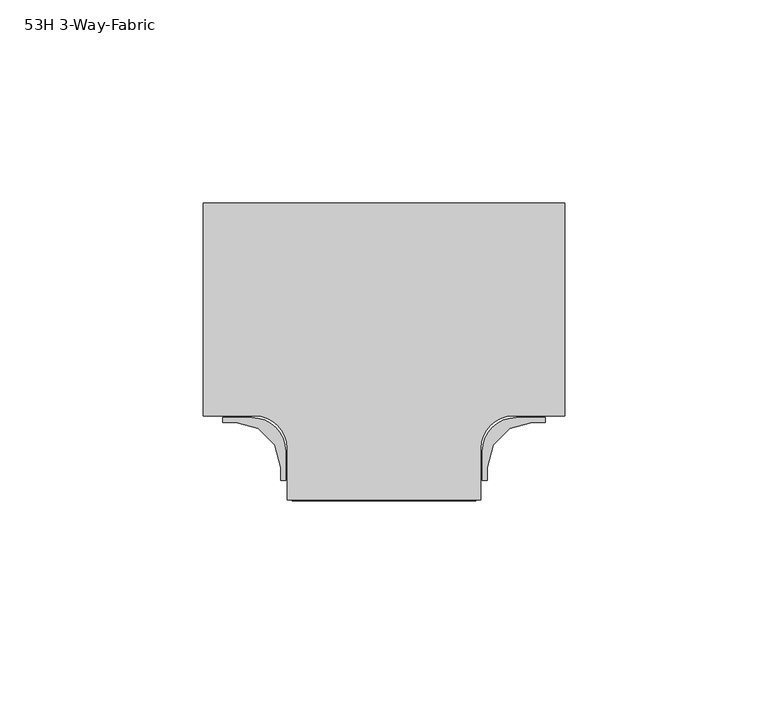
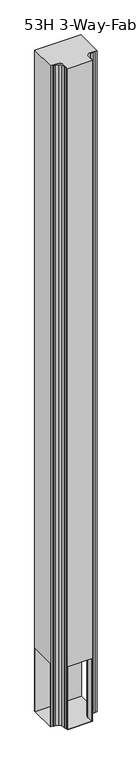
"""IFC4 building model written with IfcOpenShell, lengths in millimetres: furniture geometry, 53H 3-Way-Fabric."""

from ifc_helpers import new_model, si_unit, point, frame, frame_2d, origin, place, context, project, spatial, polyline, circle_curve, trimmed, segment, composite_curve, outline, extrude, source, transform, mapped, element, save
from ifc_brep_helpers import plane_surface, cylinder_surface, revolved_surface, advanced_brep


def furniture_53h_3_way_fabric_7bbcd952(model_context):
    return source(origin(), model_context, "Body", "SolidModel", [
        extrude(outline(composite_curve([segment(polyline([(31.7500015, -15.6479256), (30.5568331, -15.6479256), (30.5568331, -8.4848759)]), True, "CONTINUOUS"), segment(trimmed(circle_curve(frame_2d((38.8750832, -8.4848759)), 8.3182501), [point((30.5568331, -8.4848759))], [point((38.8750832, -0.1666258))], False, "CARTESIAN"), True, "CONTINUOUS"), segment(polyline([(38.8750832, -0.1666258), (46.037497, -0.1666258), (46.037497, -1.3597897), (42.8250386, -1.3604256), (37.2878357, -2.8441105), (33.2343222, -6.897624), (31.7506328, -12.4348223), (31.7500015, -15.6479256)]), True, "CONTINUOUS")], self_intersect=False)), frame((0.0, 0.0, 9.779), z_axis=(0.0, 0.0, 1.0), x_axis=(1.0, 0.0, 0.0)), (0.0, 0.0, 1.0), 1339.5959758),
        extrude(outline(composite_curve([segment(polyline([(-19.0500045, -15.6479256), (-19.0506359, -12.4348223), (-20.5343253, -6.897624), (-24.5878388, -2.8441105), (-30.1250417, -1.3604256), (-33.3375, -1.3597897), (-33.3375, -0.1666258), (-26.1750862, -0.1666258)]), True, "CONTINUOUS"), segment(trimmed(circle_curve(frame_2d((-26.1750862, -8.4848759)), 8.3182501), [point((-26.1750862, -0.1666258))], [point((-17.8568361, -8.4848759))], False, "CARTESIAN"), True, "CONTINUOUS"), segment(polyline([(-17.8568361, -8.4848759), (-17.8568361, -15.6479256), (-19.0500045, -15.6479256)]), True, "CONTINUOUS")], self_intersect=False)), frame((0.0, 0.0, 9.779), z_axis=(0.0, 0.0, 1.0), x_axis=(1.0, 0.0, 0.0)), (0.0, 0.0, 1.0), 1339.5959758),
        advanced_brep(
        [(-38.1, 52.614576, 1349.3749758), (-38.1, 0.2270774, 1349.3749758), (-25.3999996, 0.2270774, 1349.3749758), (-17.4618657, -7.7110565, 1349.3749758), (-17.4618657, -20.410424, 1349.3749758), (30.1618626, -20.410424, 1349.3749758), (30.1618626, -7.7110565, 1349.3749758), (38.0999966, 0.2270774, 1349.3749758), (50.799997, 0.2270774, 1349.3749758), (50.799997, 52.614576, 1349.3749758), (-38.1, 52.614576, 9.525), (50.799997, 52.614576, 9.525), (50.799997, 0.2270774, 9.525), (38.0999966, 0.2270774, 9.525), (30.1618626, -7.7110565, 9.525), (30.1618626, -20.410424, 9.525), (-17.4618657, -20.410424, 9.525), (-17.4618657, -7.7110565, 9.525), (-25.3999996, 0.2270774, 9.525), (-38.1, 0.2270774, 9.525), (-38.1, 51.344576, 136.525), (-38.1, 1.4970774, 136.525), (-38.1, 1.4970774, 9.779), (-38.1, 51.344576, 9.779), (-16.1918657, -20.410424, 136.525), (28.8918626, -20.410424, 136.525), (28.8918626, -20.410424, 9.779), (-16.1918657, -20.410424, 9.779), (50.799997, 1.4970774, 136.525), (50.799997, 51.344576, 136.525), (50.799997, 51.344576, 9.779), (50.799997, 1.4970774, 9.779), (38.0999966, 1.4970774, 136.525), (28.8918626, -7.7110565, 136.525), (-16.1918657, -7.7110565, 136.525), (-25.3999996, 1.4970774, 136.525), (-25.3999996, 1.4970774, 9.779), (-16.1918657, -7.7110565, 9.779), (28.8918626, -7.7110565, 9.779), (38.0999966, 1.4970774, 9.779)],
        [
            (0, 1),
            (1, 2),
            (2, 3, circle_curve(frame((-25.3999996, -7.7110565, 1349.3749758), z_axis=(0.0, 0.0, -1.0), x_axis=(1.0, 0.0, 0.0)), 7.938134)),
            (3, 4),
            (4, 5),
            (5, 6),
            (6, 7, circle_curve(frame((38.0999966, -7.7110565, 1349.3749758), z_axis=(0.0, 0.0, -1.0), x_axis=(1.0, 0.0, 0.0)), 7.938134)),
            (7, 8),
            (8, 9),
            (9, 0),
            (10, 11),
            (11, 12),
            (12, 13),
            (13, 14, circle_curve(frame((38.0999966, -7.7110565, 9.525), z_axis=(0.0, 0.0, 1.0), x_axis=(1.0, 0.0, 0.0)), 7.938134)),
            (14, 15),
            (15, 16),
            (16, 17),
            (17, 18, circle_curve(frame((-25.3999996, -7.7110565, 9.525), z_axis=(0.0, 0.0, 1.0), x_axis=(1.0, 0.0, 0.0)), 7.938134)),
            (18, 19),
            (19, 10),
            (0, 10),
            (19, 1),
            (20, 21),
            (21, 22),
            (22, 23),
            (23, 20),
            (4, 16),
            (15, 5),
            (24, 25),
            (25, 26),
            (26, 27),
            (27, 24),
            (8, 12),
            (11, 9),
            (28, 29),
            (29, 30),
            (30, 31),
            (31, 28),
            (18, 2),
            (17, 3),
            (14, 6),
            (13, 7),
            (32, 33, circle_curve(frame((38.0999966, -7.7110565, 136.525), z_axis=(0.0, 0.0, 1.0), x_axis=(1.0, 0.0, 0.0)), 9.208134)),
            (33, 25),
            (24, 34),
            (34, 35, circle_curve(frame((-25.3999996, -7.7110565, 136.525), z_axis=(0.0, 0.0, 1.0), x_axis=(1.0, 0.0, 0.0)), 9.208134)),
            (35, 21),
            (20, 29),
            (28, 32),
            (36, 37, circle_curve(frame((-25.3999996, -7.7110565, 9.779), z_axis=(0.0, 0.0, -1.0), x_axis=(1.0, 0.0, 0.0)), 9.208134)),
            (37, 27),
            (26, 38),
            (38, 39, circle_curve(frame((38.0999966, -7.7110565, 9.779), z_axis=(0.0, 0.0, -1.0), x_axis=(1.0, 0.0, 0.0)), 9.208134)),
            (39, 31),
            (30, 23),
            (22, 36),
            (35, 36),
            (34, 37),
            (33, 38),
            (32, 39),
        ],
        [
            plane_surface(frame((-38.1, 52.614576, 1349.3749758), z_axis=(0.0, 0.0, 1.0), x_axis=(0.0, -1.0, 0.0))),
            plane_surface(frame((-38.1, 52.614576, 9.525), z_axis=(0.0, 0.0, -1.0), x_axis=(0.0, 1.0, 0.0))),
            plane_surface(frame((-38.1, 52.614576, 1349.3749758), z_axis=(-1.0, 0.0, 0.0), x_axis=(0.0, 0.0, -1.0))),
            plane_surface(frame((-17.4618657, -20.410424, 1349.3749758), z_axis=(0.0, -1.0, 0.0), x_axis=(0.0, 0.0, -1.0))),
            plane_surface(frame((50.799997, 0.2270774, 1349.3749758), z_axis=(1.0, 0.0, 0.0), x_axis=(0.0, 0.0, -1.0))),
            plane_surface(frame((50.799997, 52.614576, 1349.3749758), z_axis=(0.0, 1.0, 0.0), x_axis=(0.0, 0.0, -1.0))),
            plane_surface(frame((-38.1, 0.2270774, 1349.3749758), z_axis=(0.0, -1.0, 0.0), x_axis=(0.0, 0.0, -1.0))),
            revolved_surface(polyline([(-17.461865600000003, -7.7110565, 9.525), (-17.461865600000003, -7.7110565, 1349.3749758)]), (-25.3999996, -7.7110565, 9.525), (0.0, 0.0, -1.0)),
            plane_surface(frame((-17.4618657, -7.7110565, 1349.3749758), z_axis=(-1.0, 0.0, 0.0), x_axis=(0.0, 0.0, -1.0))),
            plane_surface(frame((30.1618626, -20.410424, 1349.3749758), z_axis=(1.0, 0.0, 0.0), x_axis=(0.0, 0.0, -1.0))),
            revolved_surface(polyline([(46.038130599999995, -7.7110565, 9.525), (46.038130599999995, -7.7110565, 1349.3749758)]), (38.0999966, -7.7110565, 9.525), (0.0, 0.0, -1.0)),
            plane_surface(frame((38.0999966, 0.2270774, 1349.3749758), z_axis=(0.0, -1.0, 0.0), x_axis=(0.0, 0.0, -1.0))),
            plane_surface(frame((-43.18, 51.344576, 136.525), z_axis=(0.0, 0.0, -1.0), x_axis=(0.0, -1.0, 0.0))),
            plane_surface(frame((-43.18, 51.344576, 9.779), z_axis=(0.0, 0.0, 1.0), x_axis=(0.0, 1.0, 0.0))),
            plane_surface(frame((-43.18, 1.4970774, 136.525), z_axis=(0.0, 1.0, 0.0), x_axis=(0.0, 0.0, -1.0))),
            cylinder_surface(frame((-25.3999996, -7.7110565, 9.779), z_axis=(0.0, 0.0, -1.0), x_axis=(1.0, 0.0, 0.0)), 9.208134),
            plane_surface(frame((-16.1918657, -7.7110565, 136.525), z_axis=(1.0, 0.0, 0.0), x_axis=(0.0, 0.0, -1.0))),
            plane_surface(frame((28.8918626, -23.7122902, 136.525), z_axis=(-1.0, 0.0, 0.0), x_axis=(0.0, 0.0, -1.0))),
            cylinder_surface(frame((38.0999966, -7.7110565, 9.779), z_axis=(0.0, 0.0, -1.0), x_axis=(1.0, 0.0, 0.0)), 9.208134),
            plane_surface(frame((38.0999966, 1.4970774, 136.525), z_axis=(0.0, 1.0, 0.0), x_axis=(0.0, 0.0, -1.0))),
            plane_surface(frame((54.292497, 51.344576, 136.525), z_axis=(0.0, -1.0, 0.0), x_axis=(0.0, 0.0, -1.0))),
        ],
        [
            (0, [[1, 2, 3, 4, 5, 6, 7, 8, 9, 10]]),
            (1, [[11, 12, 13, 14, 15, 16, 17, 18, 19, 20]]),
            (2, [[-1, 21, -20, 22], [23, 24, 25, 26]]),
            (3, [[-5, 27, -16, 28], [29, 30, 31, 32]]),
            (4, [[-9, 33, -12, 34], [35, 36, 37, 38]]),
            (5, [[-10, -34, -11, -21]]),
            (6, [[-2, -22, -19, 39]]),
            (7, [[-3, -39, -18, 40]]),
            (8, [[-4, -40, -17, -27]]),
            (9, [[-6, -28, -15, 41]]),
            (10, [[-7, -41, -14, 42]]),
            (11, [[-8, -42, -13, -33]]),
            (12, [[43, 44, -29, 45, 46, 47, -23, 48, -35, 49]]),
            (13, [[50, 51, -31, 52, 53, 54, -37, 55, -25, 56]]),
            (14, [[57, -56, -24, -47]]),
            (15, [[-46, 58, -50, -57]]),
            (16, [[-58, -45, -32, -51]]),
            (17, [[59, -52, -30, -44]]),
            (18, [[-43, 60, -53, -59]]),
            (19, [[-60, -49, -38, -54]]),
            (20, [[-48, -26, -55, -36]]),
        ],
    ),
    ])


if __name__ == "__main__":
    model = new_model("IFC4")
    model_context = context("Model", 3, world=origin())
    ifc_project = project(units=[si_unit("LENGTHUNIT", "METRE", prefix="MILLI")], contexts=[model_context])
    site = spatial("IfcSite", under=ifc_project)
    building = spatial("IfcBuilding", under=site)
    placement = place(None, origin())
    furniture_53h_3_way_fabric_shape = furniture_53h_3_way_fabric_7bbcd952(model_context)
    element("IfcFurniture", 1, ObjectType="53H 3-Way-Fabric", at=placement, inside=building, context=model_context, shape_type="MappedRepresentation", body=[
        mapped(furniture_53h_3_way_fabric_shape, transform((0.0, 0.0, 0.0), x_axis=(1.0, 0.0, 0.0), y_axis=(0.0, 1.0, 0.0), z_axis=(0.0, 0.0, 1.0))),
    ])
    save(model, "model.ifc")
